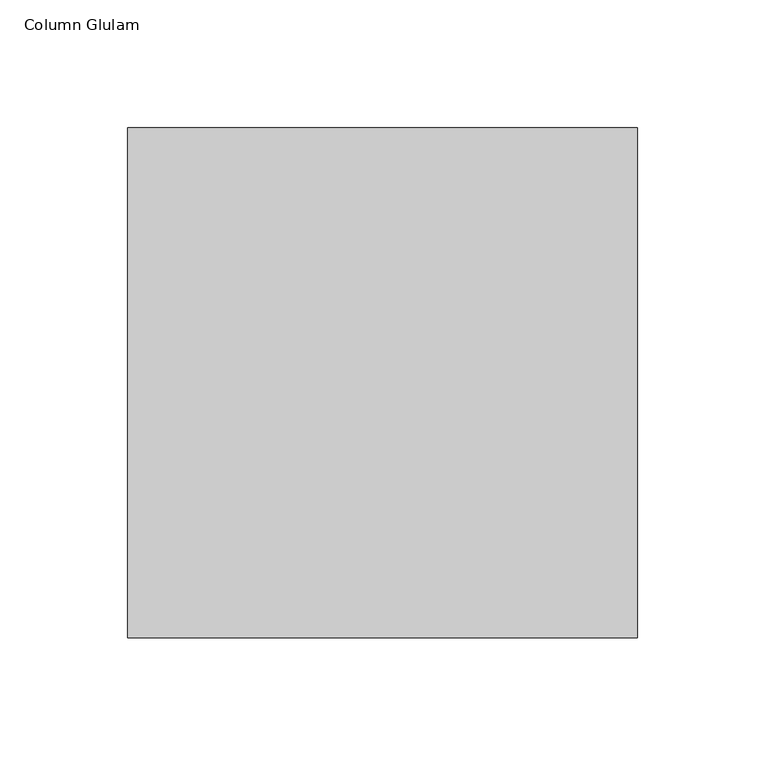
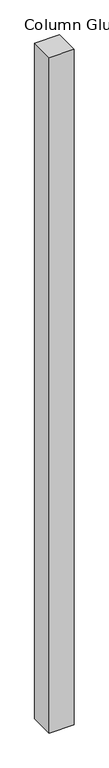
"""IFC4 building model written with IfcOpenShell, lengths in millimetres: column geometry, Column Glulam."""

from ifc_helpers import new_model, si_unit, origin, origin_with_axes, place, context, project, spatial, polyline, outline, extrude, source, transform, mapped, element, save


def column_glulam_04fb99ac(model_context):
    return source(origin(), model_context, "Body", "SweptSolid", [
        extrude(outline(polyline([(100.0, 100.0), (100.0, -100.0), (-100.0, -100.0), (-100.0, 100.0), (100.0, 100.0)])), origin_with_axes(), (0.0, 0.0, 1.0), 5700.0),
    ])


if __name__ == "__main__":
    model = new_model("IFC4")
    model_context = context("Model", 3, world=origin())
    ifc_project = project(units=[si_unit("LENGTHUNIT", "METRE", prefix="MILLI")], contexts=[model_context])
    site = spatial("IfcSite", under=ifc_project)
    building = spatial("IfcBuilding", under=site)
    placement = place(None, origin())
    column_glulam_shape = column_glulam_04fb99ac(model_context)
    element("IfcColumn", 1, ObjectType="Column Glulam", at=placement, inside=building, context=model_context, shape_type="MappedRepresentation", body=[
        mapped(column_glulam_shape, transform((0.0, 0.0, 0.0), x_axis=(1.0, 0.0, 0.0), y_axis=(0.0, 1.0, 0.0), z_axis=(0.0, 0.0, 1.0))),
    ])
    save(model, "model.ifc")
